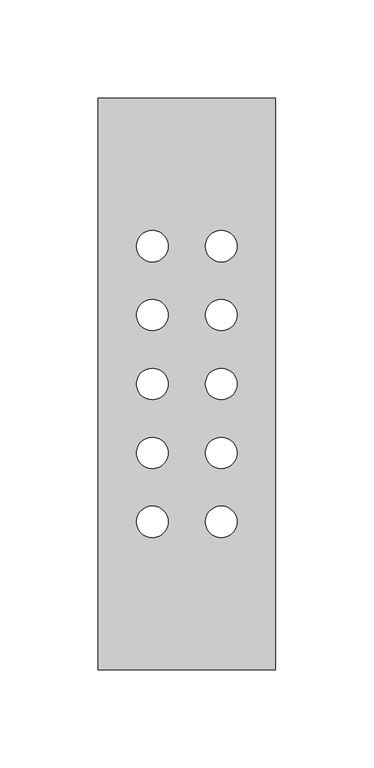
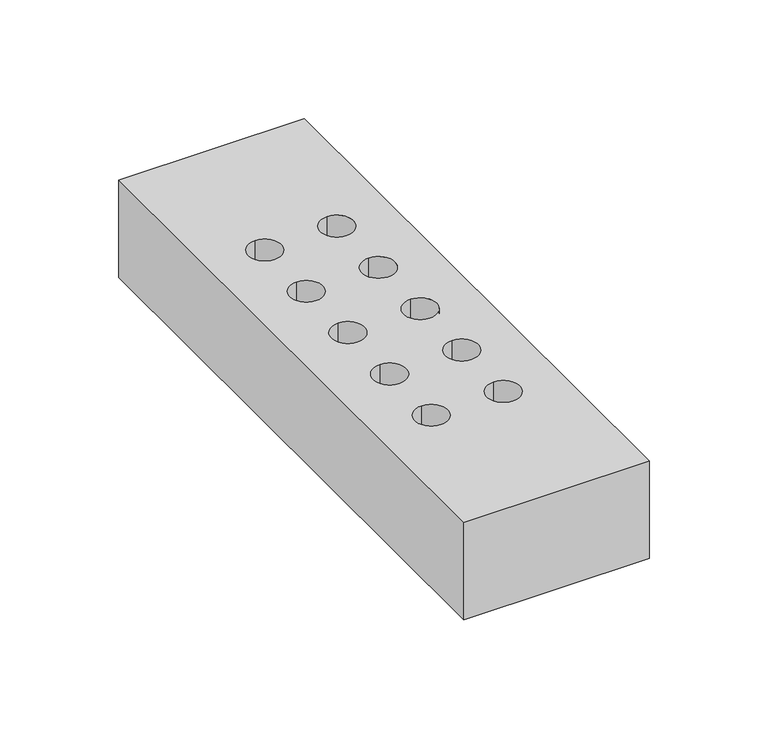
"""IFC4 building model written with IfcOpenShell, lengths in millimetres: proxy geometry."""

from ifc_helpers import new_model, si_unit, point, frame_2d, origin, origin_with_axes, place, context, project, spatial, polyline, circle_curve, trimmed, segment, composite_curve, outline, extrude, source, transform, mapped, element, save


def generic_models_0876ad20(model_context):
    return source(origin(), model_context, "Body", "SweptSolid", [
        extrude(outline(polyline([(0.0, 290.0), (90.0, 290.0), (90.0, 0.0), (0.0, 0.0), (0.0, 290.0)]), holes=[composite_curve([segment(trimmed(circle_curve(frame_2d((62.5, 75.0)), 8.0), [point((62.5, 83.0))], [point((62.5, 67.0))], True, "CARTESIAN"), True, "CONTINUOUS"), segment(trimmed(circle_curve(frame_2d((62.5, 75.0)), 8.0), [point((62.5, 67.0))], [point((62.5, 83.0))], True, "CARTESIAN"), True, "CONTINUOUS")], self_intersect=False), composite_curve([segment(trimmed(circle_curve(frame_2d((27.5, 75.0)), 8.0), [point((27.5, 83.0))], [point((27.5, 67.0))], True, "CARTESIAN"), True, "CONTINUOUS"), segment(trimmed(circle_curve(frame_2d((27.5, 75.0)), 8.0), [point((27.5, 67.0))], [point((27.5, 83.0))], True, "CARTESIAN"), True, "CONTINUOUS")], self_intersect=False), composite_curve([segment(trimmed(circle_curve(frame_2d((27.5, 145.0)), 8.0), [point((27.5, 153.0))], [point((27.5, 137.0))], True, "CARTESIAN"), True, "CONTINUOUS"), segment(trimmed(circle_curve(frame_2d((27.5, 145.0)), 8.0), [point((27.5, 137.0))], [point((27.5, 153.0))], True, "CARTESIAN"), True, "CONTINUOUS")], self_intersect=False), composite_curve([segment(trimmed(circle_curve(frame_2d((27.5, 180.0)), 8.0), [point((27.5, 188.0))], [point((27.5, 172.0))], True, "CARTESIAN"), True, "CONTINUOUS"), segment(trimmed(circle_curve(frame_2d((27.5, 180.0)), 8.0), [point((27.5, 172.0))], [point((27.5, 188.0))], True, "CARTESIAN"), True, "CONTINUOUS")], self_intersect=False), composite_curve([segment(trimmed(circle_curve(frame_2d((27.5, 215.0)), 8.0), [point((27.5, 223.0))], [point((27.5, 207.0))], True, "CARTESIAN"), True, "CONTINUOUS"), segment(trimmed(circle_curve(frame_2d((27.5, 215.0)), 8.0), [point((27.5, 207.0))], [point((27.5, 223.0))], True, "CARTESIAN"), True, "CONTINUOUS")], self_intersect=False), composite_curve([segment(trimmed(circle_curve(frame_2d((27.5, 110.0)), 8.0), [point((27.5, 118.0))], [point((27.5, 102.0))], True, "CARTESIAN"), True, "CONTINUOUS"), segment(trimmed(circle_curve(frame_2d((27.5, 110.0)), 8.0), [point((27.5, 102.0))], [point((27.5, 118.0))], True, "CARTESIAN"), True, "CONTINUOUS")], self_intersect=False), composite_curve([segment(trimmed(circle_curve(frame_2d((62.5, 215.0)), 8.0), [point((62.5, 223.0))], [point((62.5, 207.0))], True, "CARTESIAN"), True, "CONTINUOUS"), segment(trimmed(circle_curve(frame_2d((62.5, 215.0)), 8.0), [point((62.5, 207.0))], [point((62.5, 223.0))], True, "CARTESIAN"), True, "CONTINUOUS")], self_intersect=False), composite_curve([segment(trimmed(circle_curve(frame_2d((62.5, 180.0)), 8.0), [point((62.5, 188.0))], [point((62.5, 172.0))], True, "CARTESIAN"), True, "CONTINUOUS"), segment(trimmed(circle_curve(frame_2d((62.5, 180.0)), 8.0), [point((62.5, 172.0))], [point((62.5, 188.0))], True, "CARTESIAN"), True, "CONTINUOUS")], self_intersect=False), composite_curve([segment(trimmed(circle_curve(frame_2d((62.5, 145.0)), 8.0), [point((62.5, 153.0))], [point((62.5, 137.0))], True, "CARTESIAN"), True, "CONTINUOUS"), segment(trimmed(circle_curve(frame_2d((62.5, 145.0)), 8.0), [point((62.5, 137.0))], [point((62.5, 153.0))], True, "CARTESIAN"), True, "CONTINUOUS")], self_intersect=False), composite_curve([segment(trimmed(circle_curve(frame_2d((62.5, 110.0)), 8.0), [point((62.5, 118.0))], [point((62.5, 102.0))], True, "CARTESIAN"), True, "CONTINUOUS"), segment(trimmed(circle_curve(frame_2d((62.5, 110.0)), 8.0), [point((62.5, 102.0))], [point((62.5, 118.0))], True, "CARTESIAN"), True, "CONTINUOUS")], self_intersect=False)]), origin_with_axes(), (0.0, 0.0, 1.0), 50.0),
    ])


if __name__ == "__main__":
    model = new_model("IFC4")
    model_context = context("Model", 3, world=origin())
    ifc_project = project(units=[si_unit("LENGTHUNIT", "METRE", prefix="MILLI")], contexts=[model_context])
    site = spatial("IfcSite", under=ifc_project)
    building = spatial("IfcBuilding", under=site)
    placement = place(None, origin())
    generic_models_shape = generic_models_0876ad20(model_context)
    element("IfcBuildingElementProxy", 1, Name="Generic Models", at=placement, inside=building, context=model_context, shape_type="MappedRepresentation", body=[
        mapped(generic_models_shape, transform((0.0, 0.0, 0.0), x_axis=(1.0, 0.0, 0.0), y_axis=(0.0, 1.0, 0.0), z_axis=(0.0, 0.0, 1.0))),
    ])
    save(model, "model.ifc")
